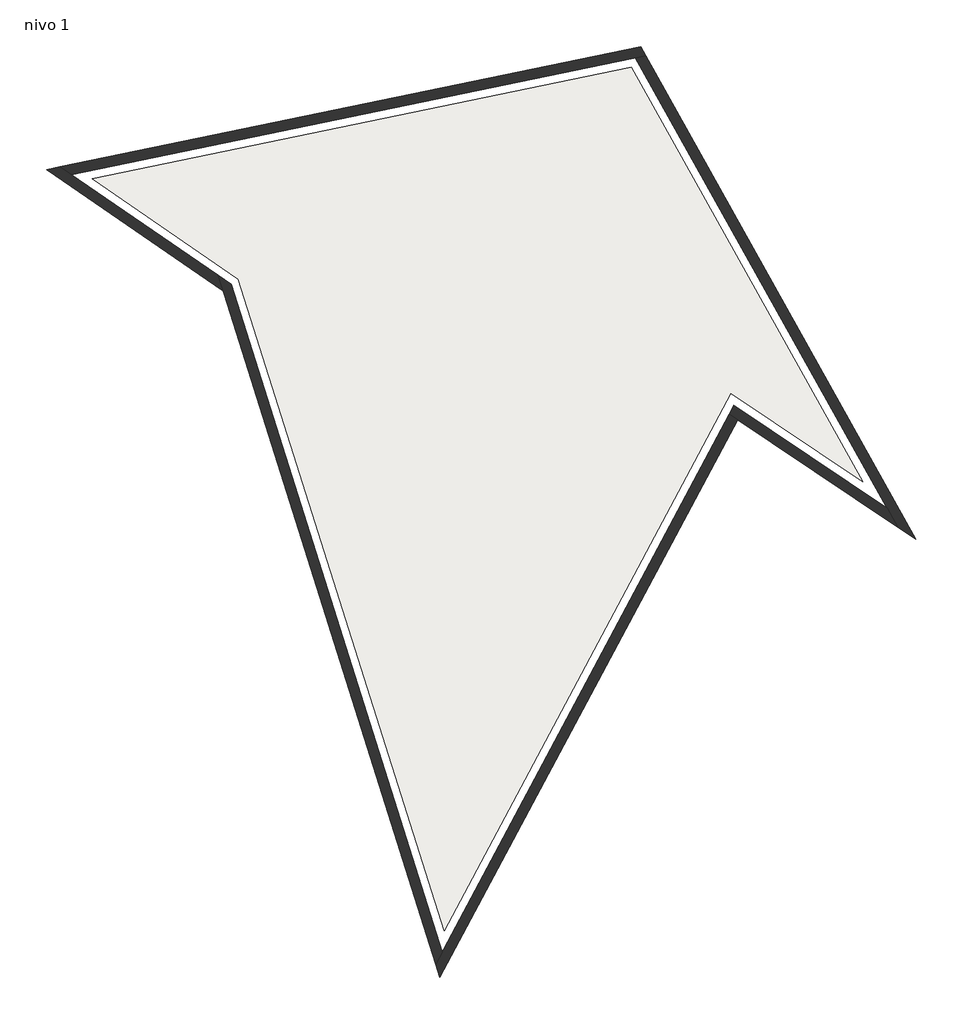
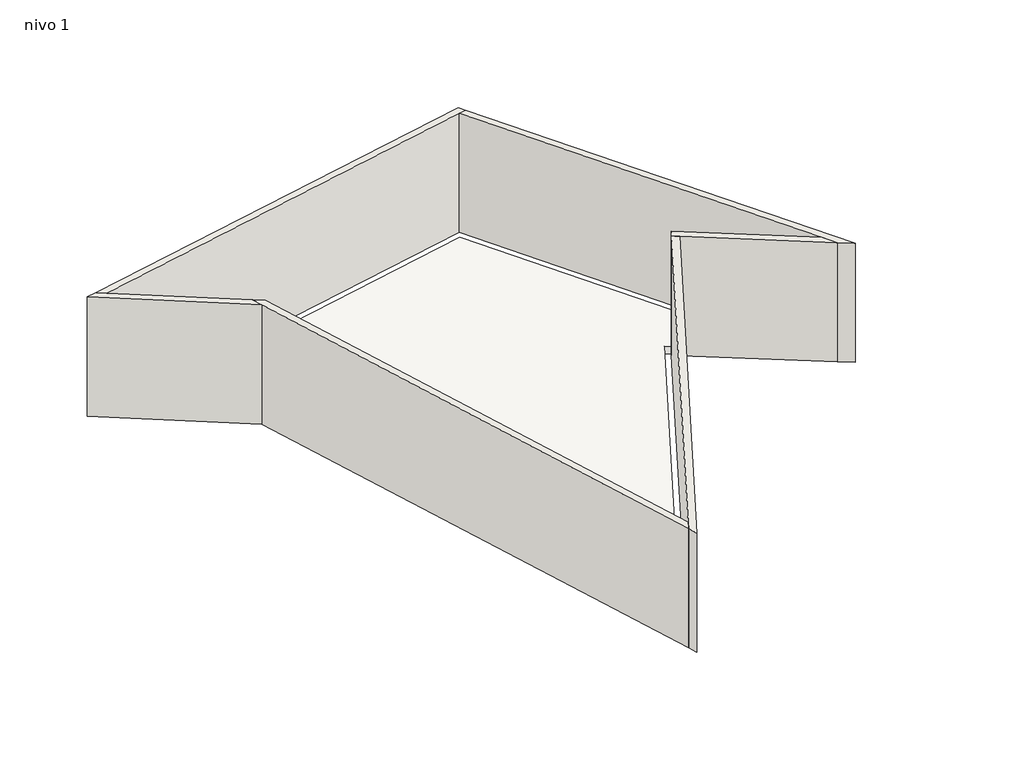
# One storey: 6 walls, 1 slab.
"""IFC4 building model written with IfcOpenShell, lengths in millimetres."""

from ifc_helpers import new_model, si_unit, frame, origin, place, context, project, spatial, polyline, outline, extrude, faceted_brep, element, save

model = new_model("IFC4")

# Units and contexts
model_context = context("Model", 3, world=origin())
ifc_project = project(units=[si_unit("LENGTHUNIT", "METRE", prefix="MILLI")], contexts=[model_context])

# Site, building, storey
site = spatial("IfcSite", under=ifc_project)
building = spatial("IfcBuilding", under=site)
storey = spatial("IfcBuildingStorey", under=building, Name="nivo 1", Elevation=3620.0)

# Slab
placement = place(None, origin())
element("IfcSlab", 1, ObjectType="Insitu Concrete 225mm", at=placement, inside=storey, context=model_context, shape_type="SweptSolid", body=[
    extrude(outline(polyline([(-2062.0199405, -31162.3646231), (-6228.516234, -17972.8061312), (-9187.2528661, -15943.0567395), (1722.7615386, -13683.5722051), (6412.7808991, -22075.6027442), (3742.5524022, -20284.2663352), (-2062.0199405, -31162.3646231)])), frame((0.0, 0.0, 3395.0), z_axis=(0.0, 0.0, 1.0), x_axis=(1.0, 0.0, 0.0)), (0.0, 0.0, 1.0), 225.0),
])

# Walls
element("IfcWall", 2, ObjectType="Generic - 200mm", at=placement, inside=storey, context=model_context, shape_type="Brep", body=[
    faceted_brep([(-2102.3518703, -31599.0574789, 3620.0), (-6372.9791544, -18079.8594782, 3620.0), (-6372.9791544, -18079.8594782, 7220.0), (-2102.3518703, -31599.0574789, 7220.0), (-2234.0989205, -31845.9589347, 3620.0), (-2234.0989205, -31845.9589347, 7220.0), (-6542.9355313, -18205.8045924, 7220.0), (-6640.7488745, -17896.1643765, 7220.0), (-6640.7488745, -17896.1643765, 3620.0), (-6542.9355313, -18205.8045924, 3620.0)], [[[0, 1, 2, 3]], [[4, 5, 6, 7, 8, 9]], [[1, 0, 4, 9, 8]], [[3, 2, 7, 6, 5]], [[2, 1, 8, 7]], [[0, 3, 5, 4]]]),
])
element("IfcWall", 3, ObjectType="Generic - 200mm", at=placement, inside=storey, context=model_context, shape_type="Brep", body=[
    faceted_brep([(-6640.7488745, -17896.1643765, 3620.0), (-9612.4642253, -15857.5113379, 3620.0), (-9841.1500661, -15700.628518, 3620.0), (-9841.1500661, -15700.628518, 7220.0), (-9612.4642253, -15857.5113379, 7220.0), (-6640.7488745, -17896.1643765, 7220.0), (-6542.9355313, -18205.8045924, 3620.0), (-6542.9355313, -18205.8045924, 7220.0), (-10112.7128832, -15756.869689, 7220.0), (-10112.7128832, -15756.869689, 3620.0)], [[[0, 1, 2, 3, 4, 5]], [[6, 7, 8, 9]], [[2, 1, 0, 6, 9]], [[5, 4, 3, 8, 7]], [[0, 5, 7, 6]], [[3, 2, 9, 8]]]),
])
element("IfcWall", 4, ObjectType="Generic - 200mm", at=placement, inside=storey, context=model_context, shape_type="Brep", body=[
    faceted_brep([(-9612.4642253, -15857.5113379, 3620.0), (1810.3477598, -13491.8254587, 3620.0), (2015.694517, -13449.2977584, 3620.0), (2015.694517, -13449.2977584, 7220.0), (1810.3477598, -13491.8254587, 7220.0), (-9612.4642253, -15857.5113379, 7220.0), (-9841.1500661, -15700.628518, 3620.0), (-9841.1500661, -15700.628518, 7220.0), (1913.3903729, -13266.2410511, 7220.0), (1913.3903729, -13266.2410511, 3620.0)], [[[0, 1, 2, 3, 4, 5]], [[6, 7, 8, 9]], [[2, 1, 0, 6, 9]], [[5, 4, 3, 8, 7]], [[0, 5, 7, 6]], [[3, 2, 9, 8]]]),
])
element("IfcWall", 5, ObjectType="Generic - 200mm", at=placement, inside=storey, context=model_context, shape_type="Brep", body=[
    faceted_brep([(1810.3477598, -13491.8254587, 3620.0), (6907.3601521, -22612.104154, 3620.0), (7122.6837194, -22997.3908263, 3620.0), (7122.6837194, -22997.3908263, 7220.0), (6907.3601521, -22612.104154, 7220.0), (1810.3477598, -13491.8254587, 7220.0), (2015.694517, -13449.2977584, 3620.0), (2015.694517, -13449.2977584, 7220.0), (7489.2180969, -23243.2822833, 7220.0), (7489.2180969, -23243.2822833, 3620.0)], [[[0, 1, 2, 3, 4, 5]], [[6, 7, 8, 9]], [[2, 1, 0, 6, 9]], [[5, 4, 3, 8, 7]], [[0, 5, 7, 6]], [[3, 2, 9, 8]]]),
])
element("IfcWall", 6, ObjectType="Generic - 200mm", at=placement, inside=storey, context=model_context, shape_type="Brep", body=[
    faceted_brep([(6907.3601521, -22612.104154, 3620.0), (3804.0076271, -20530.2042812, 3620.0), (3804.0076271, -20530.2042812, 7220.0), (6907.3601521, -22612.104154, 7220.0), (7122.6837194, -22997.3908263, 3620.0), (7122.6837194, -22997.3908263, 7220.0), (3876.3078917, -20819.5430413, 7220.0), (3709.3734049, -20707.5541892, 7220.0), (3709.3734049, -20707.5541892, 3620.0), (3876.3078917, -20819.5430413, 3620.0)], [[[0, 1, 2, 3]], [[4, 5, 6, 7, 8, 9]], [[1, 0, 4, 9, 8]], [[3, 2, 7, 6, 5]], [[0, 3, 5, 4]], [[2, 1, 8, 7]]]),
])
element("IfcWall", 7, ObjectType="Generic - 200mm", at=placement, inside=storey, context=model_context, shape_type="Brep", body=[
    faceted_brep([(3709.3734049, -20707.5541892, 3620.0), (-2102.3518703, -31599.0574789, 3620.0), (-2234.0989205, -31845.9589347, 3620.0), (-2234.0989205, -31845.9589347, 7220.0), (-2102.3518703, -31599.0574789, 7220.0), (3709.3734049, -20707.5541892, 7220.0), (3876.3078917, -20819.5430413, 3620.0), (3876.3078917, -20819.5430413, 7220.0), (-2149.8011994, -32112.8137798, 7220.0), (-2149.8011994, -32112.8137798, 3620.0)], [[[0, 1, 2, 3, 4, 5]], [[6, 7, 8, 9]], [[2, 1, 0, 6, 9]], [[5, 4, 3, 8, 7]], [[0, 5, 7, 6]], [[3, 2, 9, 8]]]),
])

save(model, "model.ifc")
